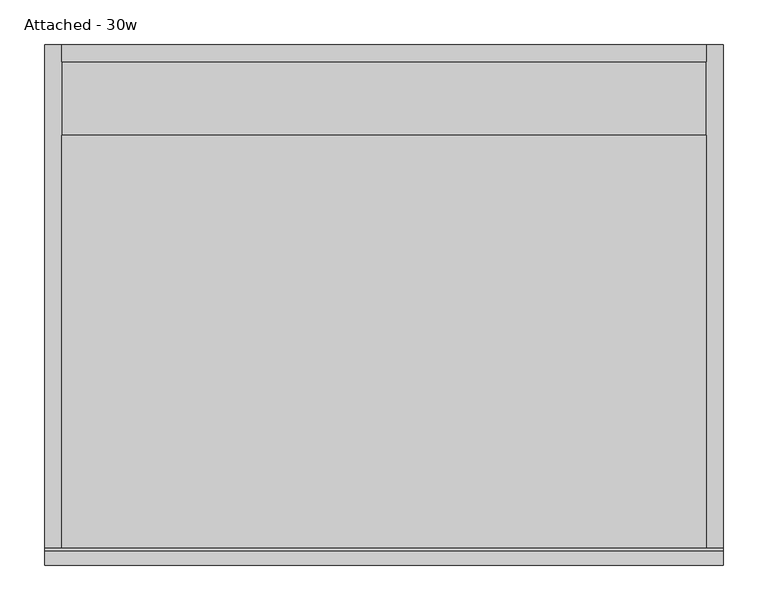
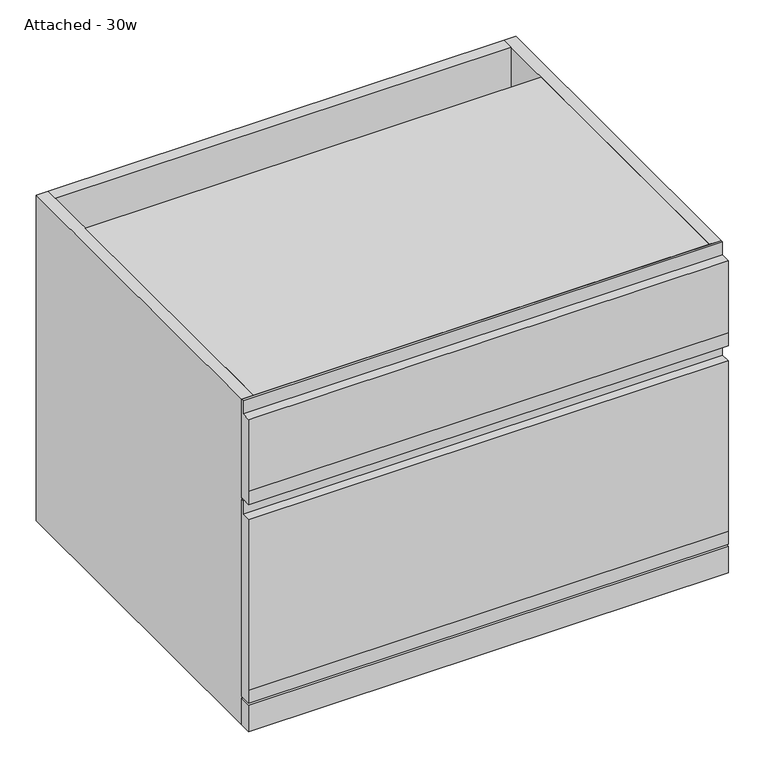
"""IFC4 building model written with IfcOpenShell, lengths in millimetres: furniture geometry, Attached - 30w."""

import ifcopenshell
import ifcopenshell.guid

model = None  # the IFC model being written
_history = None  # IfcOwnerHistory: only IFC2X3 demands one
_inside = {}  # id of a spatial element -> (the spatial element, [elements in it])
_under = {}  # id of a project, library or spatial element -> (it, [spatial elements below it])
_declared = {}  # id of a project -> (the project, [libraries it declares])
_typed = {}  # id of a type object -> (the type object, [elements of that type])
_made_of = {}  # id of a material, layer set ... -> (it, [elements and type objects made of it])


def new_model(schema):
    """Start an empty IFC model of exactly this schema.

    Asked for "IFC4X3", IfcOpenShell would pick the latest addendum, in which some entities
    have other attributes; the version numbers below select the first issue.
    IFC2X3 requires an IfcOwnerHistory on every rooted entity: one is made here for all.
    """
    global model, _history
    if schema == "IFC4X3":
        model = ifcopenshell.file(schema_version=(4, 3, 0, 0))
    else:
        model = ifcopenshell.file(schema=schema)
    _inside.clear()
    _under.clear()
    _declared.clear()
    _typed.clear()
    _made_of.clear()
    _history = None
    if model.schema == "IFC2X3":
        org = make("IfcOrganization", Name="unknown")
        user = make(
            "IfcPersonAndOrganization",
            ThePerson=make("IfcPerson", FamilyName="unknown"),
            TheOrganization=org,
        )
        app = make(
            "IfcApplication",
            ApplicationDeveloper=org,
            Version="unknown",
            ApplicationFullName="unknown",
            ApplicationIdentifier="unknown",
        )
        _history = make(
            "IfcOwnerHistory",
            OwningUser=user,
            OwningApplication=app,
            ChangeAction="ADDED",
            CreationDate=0,
        )
    return model


def make(cls, **values):
    """One entity of the class cls with the attributes given. An attribute that is None is left unset."""
    return model.create_entity(
        cls, **{name: value for name, value in values.items() if value is not None}
    )


def rooted(cls, **values):
    """An entity with a GlobalId (a new one), such as an element, a storey or a relation."""
    return make(cls, GlobalId=ifcopenshell.guid.new(), OwnerHistory=_history, **values)


def si_unit(unit_type, name, prefix=None):
    """IfcSIUnit, for example si_unit("LENGTHUNIT", "METRE", prefix="MILLI")."""
    return make("IfcSIUnit", UnitType=unit_type, Prefix=prefix, Name=name)


def assignment(units):
    """IfcUnitAssignment: the units of a project."""
    return None if units is None else make("IfcUnitAssignment", Units=units)


def point(xyz):
    """IfcCartesianPoint."""
    return None if xyz is None else make("IfcCartesianPoint", Coordinates=xyz)


def direction(xyz):
    """IfcDirection."""
    return None if xyz is None else make("IfcDirection", DirectionRatios=xyz)


def frame(location, z_axis=None, x_axis=None):
    """IfcAxis2Placement3D, a coordinate frame: its origin and axes. An axis left out is left unset."""
    return make(
        "IfcAxis2Placement3D",
        Location=point(location),
        Axis=direction(z_axis),
        RefDirection=direction(x_axis),
    )


def origin():
    """The frame at (0, 0, 0) with its axes left unset."""
    return frame((0.0, 0.0, 0.0))


def origin_with_axes():
    """The frame at (0, 0, 0) with the z axis (0, 0, 1) and the x axis (1, 0, 0) written out."""
    return frame((0.0, 0.0, 0.0), z_axis=(0.0, 0.0, 1.0), x_axis=(1.0, 0.0, 0.0))


def place(relative_to, where):
    """IfcLocalPlacement: puts the frame where relative to a parent placement (None: the world)."""
    return make(
        "IfcLocalPlacement", PlacementRelTo=relative_to, RelativePlacement=where
    )


def context(
    kind, dimensions, precision=None, world=None, true_north=None, identifier=None
):
    """IfcGeometricRepresentationContext, for example the 3D "Model" context."""
    return make(
        "IfcGeometricRepresentationContext",
        ContextIdentifier=identifier,
        ContextType=kind,
        CoordinateSpaceDimension=dimensions,
        Precision=precision,
        WorldCoordinateSystem=world,
        TrueNorth=true_north,
    )


def project(units=None, contexts=None):
    """IfcProject with its units and contexts."""
    return rooted(
        "IfcProject",
        Name="project",
        RepresentationContexts=contexts,
        UnitsInContext=assignment(units),
    )


def spatial(cls, under=None, at=None, **own):
    """A site, building, storey or space (cls), placed at a placement, below another one or the project."""
    s = rooted(cls, ObjectPlacement=at, **own)
    if under is not None:
        _under.setdefault(under.id(), (under, []))[1].append(s)
    return s


def polyline(points):
    """IfcPolyline through the points."""
    return make("IfcPolyline", Points=[point(p) for p in points])


def outline(outer, holes=None, kind="AREA"):
    """IfcArbitraryClosedProfileDef: a profile drawn as a closed curve; with holes, ...WithVoids."""
    if holes is None:
        return make("IfcArbitraryClosedProfileDef", ProfileType=kind, OuterCurve=outer)
    return make(
        "IfcArbitraryProfileDefWithVoids",
        ProfileType=kind,
        OuterCurve=outer,
        InnerCurves=holes,
    )


def extrude(swept, where, along, depth):
    """IfcExtrudedAreaSolid: the profile swept, set in the frame where, extruded along a direction by depth."""
    return make(
        "IfcExtrudedAreaSolid",
        SweptArea=swept,
        Position=where,
        ExtrudedDirection=direction(along),
        Depth=depth,
    )


def shape(context_of_items, identifier, shape_type, items):
    """IfcShapeRepresentation: the items that make up one representation, for example the "Body"."""
    return make(
        "IfcShapeRepresentation",
        ContextOfItems=context_of_items,
        RepresentationIdentifier=identifier,
        RepresentationType=shape_type,
        Items=items,
    )


def source(mapping_origin, context_of_items, identifier, shape_type, items):
    """IfcRepresentationMap: a shape defined once, which mapped items show again and again."""
    return make(
        "IfcRepresentationMap",
        MappingOrigin=mapping_origin,
        MappedRepresentation=shape(context_of_items, identifier, shape_type, items),
    )


def transform(
    local_origin,
    x_axis=None,
    y_axis=None,
    z_axis=None,
    scale=None,
    scale2=None,
    scale3=None,
    uniform=True,
):
    """IfcCartesianTransformationOperator3D, or its non-uniform kind. x_axis, y_axis, z_axis: its Axis1, 2, 3."""
    if uniform:
        return make(
            "IfcCartesianTransformationOperator3D",
            Axis1=direction(x_axis),
            Axis2=direction(y_axis),
            LocalOrigin=point(local_origin),
            Scale=scale,
            Axis3=direction(z_axis),
        )
    return make(
        "IfcCartesianTransformationOperator3DnonUniform",
        Axis1=direction(x_axis),
        Axis2=direction(y_axis),
        LocalOrigin=point(local_origin),
        Scale=scale,
        Axis3=direction(z_axis),
        Scale2=scale2,
        Scale3=scale3,
    )


def mapped(mapping_source, mapping_target):
    """IfcMappedItem: shows the shape of a source again, moved by a transform."""
    return make(
        "IfcMappedItem", MappingSource=mapping_source, MappingTarget=mapping_target
    )


def made_of(thing, what):
    """Note that an element or type object is made of a material, layer set ...; save() writes the relation."""
    if what is not None:
        _made_of.setdefault(what.id(), (what, []))[1].append(thing)
    return thing


def element(
    cls,
    number,
    at=None,
    inside=None,
    cuts=None,
    type_object=None,
    material=None,
    context=None,
    identifier="Body",
    shape_type=None,
    held_by="IfcProductDefinitionShape",
    body=None,
    shapes=None,
    **own,
):
    """One element of the class cls, such as IfcWall. Its Tag is "e" and its number.

    at: its placement. inside: the storey or other place that contains it. cuts: it is an
    opening in that element (IfcRelVoidsElement). A single representation is given by context,
    identifier, shape_type and body (its items); several are given by shapes. held_by: the class
    of the entity that holds the representations. save() writes the other relations.
    """
    e = rooted(cls, Tag="e%d" % number, ObjectPlacement=at, **own)
    if body is not None:
        shapes = [shape(context, identifier, shape_type, body)]
    if shapes is not None:
        e.Representation = make(held_by, Representations=shapes)
    if inside is not None:
        _inside.setdefault(inside.id(), (inside, []))[1].append(e)
    if cuts is not None:
        rooted(
            "IfcRelVoidsElement", RelatingBuildingElement=cuts, RelatedOpeningElement=e
        )
    if type_object is not None:
        _typed.setdefault(type_object.id(), (type_object, []))[1].append(e)
    return made_of(e, material)


def aggregate(whole, parts):
    """IfcRelAggregates: a whole, such as a stair, and the parts it consists of."""
    return rooted("IfcRelAggregates", RelatingObject=whole, RelatedObjects=parts)


def save(model, path):
    """Write the relations noted so far, then the file.

    IfcRelAggregates (storeys below a building ...), IfcRelContainedInSpatialStructure (elements
    in a storey), IfcRelDefinesByType, IfcRelAssociatesMaterial and IfcRelDeclares: one each for
    every whole, place, type object, material and project.
    """
    for whole, parts in _under.values():
        aggregate(whole, parts)
    for where, things in _inside.values():
        rooted(
            "IfcRelContainedInSpatialStructure",
            RelatedElements=things,
            RelatingStructure=where,
        )
    for kind, things in _typed.values():
        rooted("IfcRelDefinesByType", RelatedObjects=things, RelatingType=kind)
    for what, things in _made_of.values():
        rooted("IfcRelAssociatesMaterial", RelatedObjects=things, RelatingMaterial=what)
    for by, libraries in _declared.values():
        rooted("IfcRelDeclares", RelatingContext=by, RelatedDefinitions=libraries)
    model.write(path)


def attached_30w_0a243a03(model_context):
    return source(origin(), model_context, "Body", "SweptSolid", [
        extrude(outline(polyline([(-568.325, 546.1), (-565.15, 546.1), (-565.15, 381.0), (-568.325, 381.0), (-584.2, 381.0), (-584.2, 403.225), (-584.2, 523.875), (-568.325, 523.875), (-568.325, 546.1)])), frame((-381.0, 0.0, 0.0), z_axis=(1.0, 0.0, 0.0), x_axis=(0.0, 1.0, 0.0)), (0.0, 0.0, 1.0), 762.0),
        extrude(outline(polyline([(-568.325, 377.825), (-565.15, 377.825), (-565.15, 47.625), (-568.325, 47.625), (-584.2, 47.625), (-584.2, 69.85), (-584.2, 355.6), (-568.325, 355.6), (-568.325, 377.825)])), frame((-381.0, 0.0, 0.0), z_axis=(1.0, 0.0, 0.0), x_axis=(0.0, 1.0, 0.0)), (0.0, 0.0, 1.0), 762.0),
        extrude(outline(polyline([(-361.95, 0.0), (361.95, 0.0), (361.95, -565.15), (-361.95, -565.15), (-361.95, 0.0)])), origin_with_axes(), (0.0, 0.0, 1.0), 19.05),
        extrude(outline(polyline([(-361.95, 0.0), (361.95, 0.0), (361.95, -19.05), (-361.95, -19.05), (-361.95, 0.0)])), frame((0.0, 0.0, 327.025), z_axis=(0.0, 0.0, 1.0), x_axis=(1.0, 0.0, 0.0)), (0.0, 0.0, 1.0), 219.075),
        extrude(outline(polyline([(-361.95, -101.6), (361.95, -101.6), (361.95, -565.15), (-361.95, -565.15), (-361.95, -101.6)])), frame((0.0, 0.0, 528.6375), z_axis=(0.0, 0.0, 1.0), x_axis=(1.0, 0.0, 0.0)), (0.0, 0.0, 1.0), 17.4625),
        extrude(outline(polyline([(381.0, 0.0), (381.0, -565.15), (361.95, -565.15), (361.95, 0.0), (381.0, 0.0)])), origin_with_axes(), (0.0, 0.0, 1.0), 546.1),
        extrude(outline(polyline([(381.0, -565.15), (381.0, -584.2), (-381.0, -584.2), (-381.0, -565.15), (381.0, -565.15)])), origin_with_axes(), (0.0, 0.0, 1.0), 44.45),
        extrude(outline(polyline([(-361.95, 0.0), (-361.95, -565.15), (-381.0, -565.15), (-381.0, 0.0), (-361.95, 0.0)])), origin_with_axes(), (0.0, 0.0, 1.0), 546.1),
    ])


if __name__ == "__main__":
    model = new_model("IFC4")
    model_context = context("Model", 3, world=origin())
    ifc_project = project(units=[si_unit("LENGTHUNIT", "METRE", prefix="MILLI")], contexts=[model_context])
    site = spatial("IfcSite", under=ifc_project)
    building = spatial("IfcBuilding", under=site)
    placement = place(None, origin())
    attached_30w_shape = attached_30w_0a243a03(model_context)
    element("IfcFurniture", 1, ObjectType="Attached - 30w", at=placement, inside=building, context=model_context, shape_type="MappedRepresentation", body=[
        mapped(attached_30w_shape, transform((0.0, 0.0, 0.0), x_axis=(1.0, 0.0, 0.0), y_axis=(0.0, 1.0, 0.0), z_axis=(0.0, 0.0, 1.0))),
    ])
    save(model, "model.ifc")
